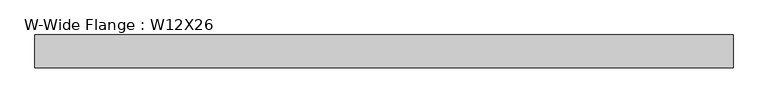
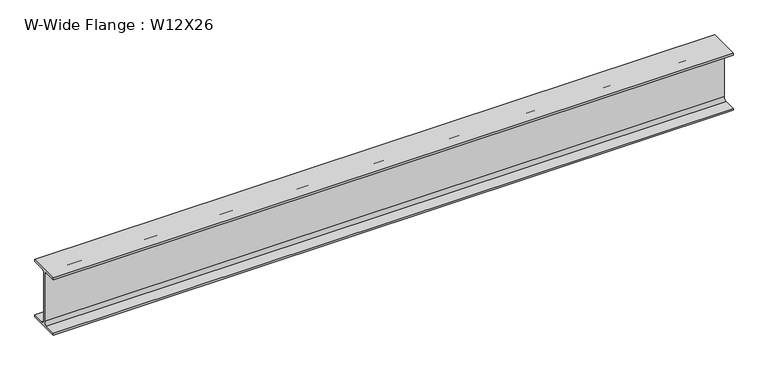
"""IFC4 building model written with IfcOpenShell, lengths in millimetres: beam geometry, W-Wide Flange : W12X26."""

from ifc_helpers import new_model, si_unit, point, frame, frame_2d, origin, place, context, project, spatial, polyline, circle_curve, trimmed, segment, composite_curve, outline, extrude, source, transform, mapped, element, save


def w_wide_flange_w12x26_459ed78d(model_context):
    return source(origin(), model_context, "Body", "SweptSolid", [
        extrude(outline(composite_curve([segment(polyline([(-82.423, -145.288), (-20.2565, -145.288)]), True, "CONTINUOUS"), segment(trimmed(circle_curve(frame_2d((-20.2565, -127.9525)), 17.3355), [point((-20.2565, -145.288))], [point((-2.921, -127.9525))], True, "CARTESIAN"), True, "CONTINUOUS"), segment(polyline([(-2.921, -127.9525), (-2.921, 127.9525)]), True, "CONTINUOUS"), segment(trimmed(circle_curve(frame_2d((-20.2565, 127.9525)), 17.3355), [point((-2.921, 127.9525))], [point((-20.2565, 145.288))], True, "CARTESIAN"), True, "CONTINUOUS"), segment(polyline([(-20.2565, 145.288), (-82.423, 145.288), (-82.423, 154.94), (82.423, 154.94), (82.423, 145.288), (20.2565, 145.288)]), True, "CONTINUOUS"), segment(trimmed(circle_curve(frame_2d((20.2565, 127.9525)), 17.3355), [point((20.2565, 145.288))], [point((2.921, 127.9525))], True, "CARTESIAN"), True, "CONTINUOUS"), segment(polyline([(2.921, 127.9525), (2.921, -127.9525)]), True, "CONTINUOUS"), segment(trimmed(circle_curve(frame_2d((20.2565, -127.9525)), 17.3355), [point((2.921, -127.9525))], [point((20.2565, -145.288))], True, "CARTESIAN"), True, "CONTINUOUS"), segment(polyline([(20.2565, -145.288), (82.423, -145.288), (82.423, -154.94), (-82.423, -154.94), (-82.423, -145.288)]), True, "CONTINUOUS")], self_intersect=False)), frame((-2638.1513795, 0.0, 0.0), z_axis=(1.0, 0.0, 0.0), x_axis=(0.0, 1.0, 0.0)), (0.0, 0.0, 1.0), 3486.5756705),
    ])


if __name__ == "__main__":
    model = new_model("IFC4")
    model_context = context("Model", 3, world=origin())
    ifc_project = project(units=[si_unit("LENGTHUNIT", "METRE", prefix="MILLI")], contexts=[model_context])
    site = spatial("IfcSite", under=ifc_project)
    building = spatial("IfcBuilding", under=site)
    placement = place(None, origin())
    w_wide_flange_w12x26_shape = w_wide_flange_w12x26_459ed78d(model_context)
    element("IfcBeam", 1, ObjectType="W-Wide Flange : W12X26", at=placement, inside=building, context=model_context, shape_type="MappedRepresentation", body=[
        mapped(w_wide_flange_w12x26_shape, transform((0.0, 0.0, 0.0), x_axis=(1.0, 0.0, 0.0), y_axis=(0.0, 1.0, 0.0), z_axis=(0.0, 0.0, 1.0))),
    ])
    save(model, "model.ifc")
